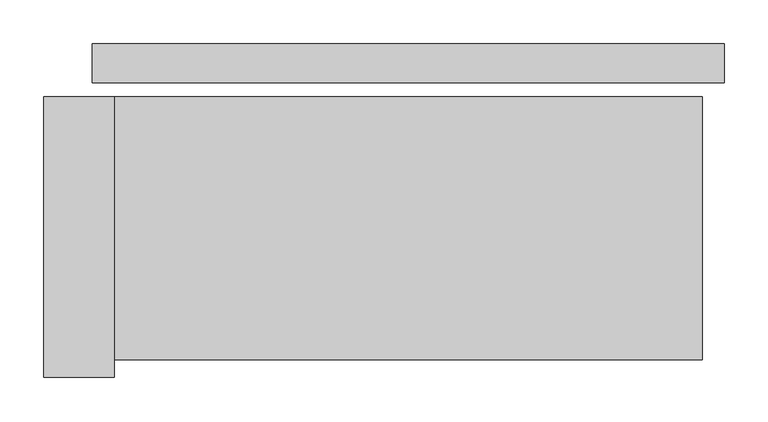
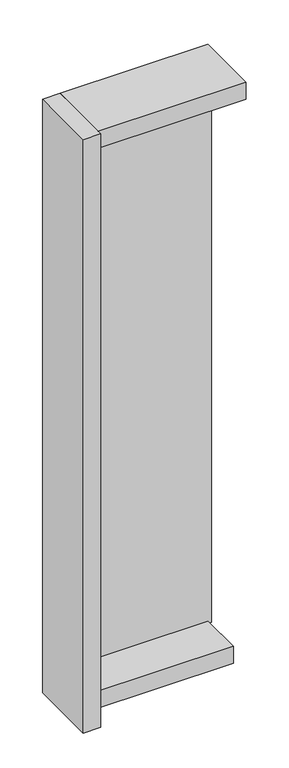
"""IFC4 building model written with IfcOpenShell, lengths in millimetres: plate geometry."""

from ifc_helpers import new_model, si_unit, frame, origin, origin_with_axes, place, context, project, spatial, polyline, outline, extrude, source, transform, mapped, element, save


def plate_5143ec21(model_context):
    return source(origin(), model_context, "Body", "SweptSolid", [
        extrude(outline(polyline([(360.0, 0.0), (360.0, -44.0), (-360.0, -44.0), (-360.0, 0.0), (360.0, 0.0)])), origin_with_axes(), (0.0, 0.0, 1.0), 2732.0),
        extrude(outline(polyline([(-335.0, -60.0), (-335.0, -380.0), (-415.0, -380.0), (-415.0, -60.0), (-335.0, -60.0)])), frame((0.0, 0.0, -55.0), z_axis=(0.0, 0.0, 1.0), x_axis=(1.0, 0.0, 0.0)), (0.0, 0.0, 1.0), 2842.0),
        extrude(outline(polyline([(335.0, -260.0), (-335.0, -260.0), (-335.0, -60.0), (335.0, -60.0), (335.0, -260.0)])), frame((0.0, 0.0, -55.0), z_axis=(0.0, 0.0, 1.0), x_axis=(1.0, 0.0, 0.0)), (0.0, 0.0, 1.0), 80.0),
        extrude(outline(polyline([(335.0, -60.0), (335.0, -360.0), (-335.0, -360.0), (-335.0, -60.0), (335.0, -60.0)])), frame((0.0, 0.0, 2707.0), z_axis=(0.0, 0.0, 1.0), x_axis=(1.0, 0.0, 0.0)), (0.0, 0.0, 1.0), 80.0),
    ])


if __name__ == "__main__":
    model = new_model("IFC4")
    model_context = context("Model", 3, world=origin())
    ifc_project = project(units=[si_unit("LENGTHUNIT", "METRE", prefix="MILLI")], contexts=[model_context])
    site = spatial("IfcSite", under=ifc_project)
    building = spatial("IfcBuilding", under=site)
    placement = place(None, origin())
    plate_shape = plate_5143ec21(model_context)
    element("IfcPlate", 1, at=placement, inside=building, context=model_context, shape_type="MappedRepresentation", body=[
        mapped(plate_shape, transform((0.0, 0.0, 0.0), x_axis=(1.0, 0.0, 0.0), y_axis=(0.0, 1.0, 0.0), z_axis=(0.0, 0.0, 1.0))),
    ])
    save(model, "model.ifc")
